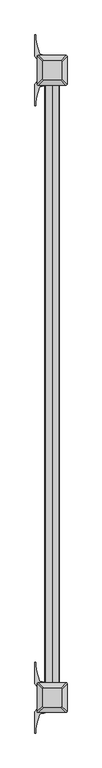
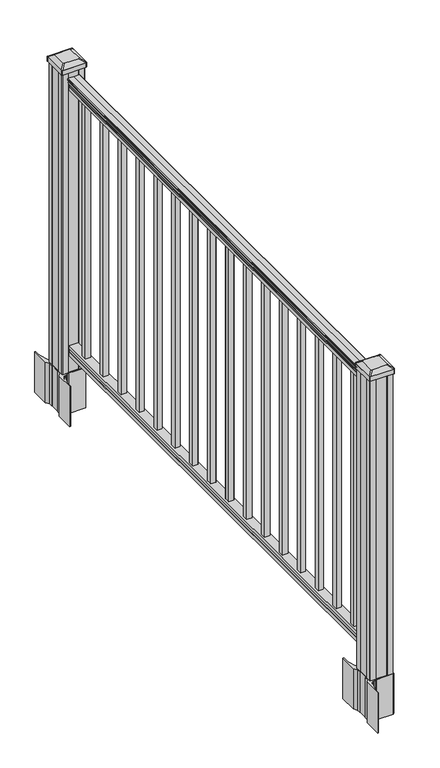
"""IFC4 building model written with IfcOpenShell, lengths in millimetres: railing geometry."""

from ifc_helpers import new_model, si_unit, point, frame, frame_2d, origin, origin_with_axes, place, context, project, spatial, polyline, circle_curve, trimmed, segment, composite_curve, outline, extrude, source, transform, mapped, element, save
from ifc_brep_helpers import plane_surface, extruded_surface, advanced_brep


def railing_7d00ed54(model_context):
    return source(origin(), model_context, "Body", "SolidModel", [
        extrude(outline(composite_curve([segment(polyline([(1090.8043297, 3638.0868644), (1092.692412, 3638.0868644)]), True, "CONTINUOUS"), segment(trimmed(circle_curve(frame_2d((1098.4506383, 3631.7721111)), 8.545951), [point((1092.692412, 3638.0868644))], [point((1094.2546695, 3639.2170507))], False, "CARTESIAN"), True, "CONTINUOUS"), segment(trimmed(circle_curve(frame_2d((1097.8636577, 3632.209174)), 7.882584), [point((1094.2546695, 3639.2170507))], [point((1101.4726458, 3639.2170507))], False, "CARTESIAN"), True, "CONTINUOUS"), segment(trimmed(circle_curve(frame_2d((1103.7112527, 3642.7224982)), 4.1592695), [point((1101.4726458, 3639.2170507))], [point((1103.9060812, 3638.5677942))], True, "CARTESIAN"), True, "CONTINUOUS"), segment(trimmed(circle_curve(frame_2d((1103.6508864, 3644.0098047)), 5.4479907), [point((1103.9060812, 3638.5677942))], [point((1108.2362083, 3641.0677942))], True, "CARTESIAN"), True, "CONTINUOUS"), segment(trimmed(circle_curve(frame_2d((1108.233395, 3642.7766463)), 1.7088543), [point((1108.2362083, 3641.0677942))], [point((1109.9157972, 3642.4771367))], True, "CARTESIAN"), True, "CONTINUOUS"), segment(trimmed(circle_curve(frame_2d((1111.0205318, 3641.1597462)), 1.7192895), [point((1109.9157972, 3642.4771367))], [point((1111.0205318, 3642.8790357))], False, "CARTESIAN"), True, "CONTINUOUS"), segment(polyline([(1111.0205318, 3642.8790357), (1112.3608158, 3642.8790356)]), True, "CONTINUOUS"), segment(trimmed(circle_curve(frame_2d((1112.3608158, 3641.3255884)), 1.5534472), [point((1112.3608158, 3642.8790356))], [point((1113.914263, 3641.3255884))], False, "CARTESIAN"), True, "CONTINUOUS"), segment(polyline([(1113.914263, 3641.3255884), (1113.914263, 3620.6540356), (1113.914263, 3599.9824828)]), True, "CONTINUOUS"), segment(trimmed(circle_curve(frame_2d((1112.3608158, 3599.9824828)), 1.5534472), [point((1113.914263, 3599.9824828))], [point((1112.3608158, 3598.4290356))], False, "CARTESIAN"), True, "CONTINUOUS"), segment(polyline([(1112.3608158, 3598.4290356), (1111.0205318, 3598.4290356)]), True, "CONTINUOUS"), segment(trimmed(circle_curve(frame_2d((1111.0205318, 3600.148325)), 1.7192895), [point((1111.0205318, 3598.4290356))], [point((1109.9157972, 3598.8309345))], False, "CARTESIAN"), True, "CONTINUOUS"), segment(trimmed(circle_curve(frame_2d((1108.233395, 3598.531425)), 1.7088543), [point((1109.9157972, 3598.8309345))], [point((1108.2362083, 3600.240277))], True, "CARTESIAN"), True, "CONTINUOUS"), segment(trimmed(circle_curve(frame_2d((1103.6508864, 3597.2982665)), 5.4479907), [point((1108.2362083, 3600.240277))], [point((1103.9060812, 3602.740277))], True, "CARTESIAN"), True, "CONTINUOUS"), segment(trimmed(circle_curve(frame_2d((1103.7112527, 3598.5855731)), 4.1592695), [point((1103.9060812, 3602.740277))], [point((1101.4726458, 3602.0910206))], True, "CARTESIAN"), True, "CONTINUOUS"), segment(trimmed(circle_curve(frame_2d((1097.8636577, 3609.0988972)), 7.882584), [point((1101.4726458, 3602.0910206))], [point((1094.2546695, 3602.0910206))], False, "CARTESIAN"), True, "CONTINUOUS"), segment(trimmed(circle_curve(frame_2d((1098.4506383, 3609.5359602)), 8.545951), [point((1094.2546695, 3602.0910206))], [point((1092.692412, 3603.2212069))], False, "CARTESIAN"), True, "CONTINUOUS"), segment(polyline([(1092.692412, 3603.2212069), (1090.8043297, 3603.2212069)]), True, "CONTINUOUS"), segment(trimmed(circle_curve(frame_2d((1090.8043297, 3604.5081212)), 1.2869144), [point((1090.8043297, 3603.2212069))], [point((1090.8043297, 3605.7950356))], False, "CARTESIAN"), True, "CONTINUOUS"), segment(polyline([(1090.8043297, 3605.7950356), (1080.3048283, 3605.7950356), (1079.2888283, 3604.7790356), (1066.8, 3604.7790356), (1066.8, 3636.5290356), (1079.131013, 3636.5290356), (1080.147013, 3635.5130356), (1090.8043297, 3635.5130356)]), True, "CONTINUOUS"), segment(trimmed(circle_curve(frame_2d((1090.8043297, 3636.79995)), 1.2869144), [point((1090.8043297, 3635.5130356))], [point((1090.8043297, 3638.0868644))], False, "CARTESIAN"), True, "CONTINUOUS")], self_intersect=False)), frame((0.0, -6529.3137002, 0.0), z_axis=(0.0, 1.0, 0.0), x_axis=(0.0, 0.0, 1.0)), (0.0, 0.0, 1.0), 1828.8),
        extrude(outline(polyline([(76.0541976, 3636.5665225), (77.3546183, 3635.5505225), (87.7141717, 3635.5505225), (89.0624492, 3636.5665225), (101.5958781, 3636.5665225), (101.5958781, 3604.8165225), (89.0458024, 3604.8165225), (87.6975248, 3605.8325225), (77.3858283, 3605.8325225), (76.0375508, 3604.8165225), (63.5, 3604.8165225), (63.5, 3636.5665225), (76.0541976, 3636.5665225)])), frame((0.0, -6529.3137002, 0.0), z_axis=(0.0, 1.0, 0.0), x_axis=(0.0, 0.0, 1.0)), (0.0, 0.0, 1.0), 1828.8),
        extrude(outline(polyline([(3630.1790356, -4789.0327002), (3611.1290356, -4789.0327002), (3611.1290356, -4769.9827002), (3630.1790356, -4769.9827002), (3630.1790356, -4789.0327002)]), holes=[polyline([(3629.7821606, -4788.6358252), (3629.7821606, -4770.3795752), (3611.5259106, -4770.3795752), (3611.5259106, -4788.6358252), (3629.7821606, -4788.6358252)])]), frame((0.0, 0.0, 101.5958781), z_axis=(0.0, 0.0, 1.0), x_axis=(1.0, 0.0, 0.0)), (0.0, 0.0, 1.0), 965.2041219),
        extrude(outline(polyline([(3630.1790356, -4900.2847002), (3611.1290356, -4900.2847002), (3611.1290356, -4881.2347002), (3630.1790356, -4881.2347002), (3630.1790356, -4900.2847002)]), holes=[polyline([(3629.7821606, -4899.8878252), (3629.7821606, -4881.6315752), (3611.5259106, -4881.6315752), (3611.5259106, -4899.8878252), (3629.7821606, -4899.8878252)])]), frame((0.0, 0.0, 101.5958781), z_axis=(0.0, 0.0, 1.0), x_axis=(1.0, 0.0, 0.0)), (0.0, 0.0, 1.0), 965.2041219),
        extrude(outline(polyline([(3630.1790356, -5011.5367002), (3611.1290356, -5011.5367002), (3611.1290356, -4992.4867002), (3630.1790356, -4992.4867002), (3630.1790356, -5011.5367002)]), holes=[polyline([(3629.7821606, -5011.1398252), (3629.7821606, -4992.8835752), (3611.5259106, -4992.8835752), (3611.5259106, -5011.1398252), (3629.7821606, -5011.1398252)])]), frame((0.0, 0.0, 101.5958781), z_axis=(0.0, 0.0, 1.0), x_axis=(1.0, 0.0, 0.0)), (0.0, 0.0, 1.0), 965.2041219),
        extrude(outline(polyline([(3630.1790356, -5122.7887002), (3611.1290356, -5122.7887002), (3611.1290356, -5103.7387002), (3630.1790356, -5103.7387002), (3630.1790356, -5122.7887002)]), holes=[polyline([(3629.7821606, -5122.3918252), (3629.7821606, -5104.1355752), (3611.5259106, -5104.1355752), (3611.5259106, -5122.3918252), (3629.7821606, -5122.3918252)])]), frame((0.0, 0.0, 101.5958781), z_axis=(0.0, 0.0, 1.0), x_axis=(1.0, 0.0, 0.0)), (0.0, 0.0, 1.0), 965.2041219),
        extrude(outline(polyline([(3630.1790356, -5234.0407002), (3611.1290356, -5234.0407002), (3611.1290356, -5214.9907002), (3630.1790356, -5214.9907002), (3630.1790356, -5234.0407002)]), holes=[polyline([(3629.7821606, -5233.6438252), (3629.7821606, -5215.3875752), (3611.5259106, -5215.3875752), (3611.5259106, -5233.6438252), (3629.7821606, -5233.6438252)])]), frame((0.0, 0.0, 101.5958781), z_axis=(0.0, 0.0, 1.0), x_axis=(1.0, 0.0, 0.0)), (0.0, 0.0, 1.0), 965.2041219),
        extrude(outline(polyline([(3630.1790356, -5345.2927002), (3611.1290356, -5345.2927002), (3611.1290356, -5326.2427002), (3630.1790356, -5326.2427002), (3630.1790356, -5345.2927002)]), holes=[polyline([(3629.7821606, -5344.8958252), (3629.7821606, -5326.6395752), (3611.5259106, -5326.6395752), (3611.5259106, -5344.8958252), (3629.7821606, -5344.8958252)])]), frame((0.0, 0.0, 101.5958781), z_axis=(0.0, 0.0, 1.0), x_axis=(1.0, 0.0, 0.0)), (0.0, 0.0, 1.0), 965.2041219),
        extrude(outline(polyline([(3630.1790356, -5456.5447002), (3611.1290356, -5456.5447002), (3611.1290356, -5437.4947002), (3630.1790356, -5437.4947002), (3630.1790356, -5456.5447002)]), holes=[polyline([(3629.7821606, -5456.1478252), (3629.7821606, -5437.8915752), (3611.5259106, -5437.8915752), (3611.5259106, -5456.1478252), (3629.7821606, -5456.1478252)])]), frame((0.0, 0.0, 101.5958781), z_axis=(0.0, 0.0, 1.0), x_axis=(1.0, 0.0, 0.0)), (0.0, 0.0, 1.0), 965.2041219),
        extrude(outline(polyline([(3630.1790356, -5567.7967002), (3611.1290356, -5567.7967002), (3611.1290356, -5548.7467002), (3630.1790356, -5548.7467002), (3630.1790356, -5567.7967002)]), holes=[polyline([(3629.7821606, -5567.3998252), (3629.7821606, -5549.1435752), (3611.5259106, -5549.1435752), (3611.5259106, -5567.3998252), (3629.7821606, -5567.3998252)])]), frame((0.0, 0.0, 101.5958781), z_axis=(0.0, 0.0, 1.0), x_axis=(1.0, 0.0, 0.0)), (0.0, 0.0, 1.0), 965.2041219),
        extrude(outline(polyline([(3630.1790356, -5679.0487002), (3611.1290356, -5679.0487002), (3611.1290356, -5659.9987002), (3630.1790356, -5659.9987002), (3630.1790356, -5679.0487002)]), holes=[polyline([(3629.7821606, -5678.6518252), (3629.7821606, -5660.3955752), (3611.5259106, -5660.3955752), (3611.5259106, -5678.6518252), (3629.7821606, -5678.6518252)])]), frame((0.0, 0.0, 101.5958781), z_axis=(0.0, 0.0, 1.0), x_axis=(1.0, 0.0, 0.0)), (0.0, 0.0, 1.0), 965.2041219),
        extrude(outline(polyline([(3630.1790356, -5790.3007002), (3611.1290356, -5790.3007002), (3611.1290356, -5771.2507002), (3630.1790356, -5771.2507002), (3630.1790356, -5790.3007002)]), holes=[polyline([(3629.7821606, -5789.9038252), (3629.7821606, -5771.6475752), (3611.5259106, -5771.6475752), (3611.5259106, -5789.9038252), (3629.7821606, -5789.9038252)])]), frame((0.0, 0.0, 101.5958781), z_axis=(0.0, 0.0, 1.0), x_axis=(1.0, 0.0, 0.0)), (0.0, 0.0, 1.0), 965.2041219),
        extrude(outline(polyline([(3630.1790356, -5901.5527002), (3611.1290356, -5901.5527002), (3611.1290356, -5882.5027002), (3630.1790356, -5882.5027002), (3630.1790356, -5901.5527002)]), holes=[polyline([(3629.7821606, -5901.1558252), (3629.7821606, -5882.8995752), (3611.5259106, -5882.8995752), (3611.5259106, -5901.1558252), (3629.7821606, -5901.1558252)])]), frame((0.0, 0.0, 101.5958781), z_axis=(0.0, 0.0, 1.0), x_axis=(1.0, 0.0, 0.0)), (0.0, 0.0, 1.0), 965.2041219),
        extrude(outline(polyline([(3630.1790356, -6012.8047002), (3611.1290356, -6012.8047002), (3611.1290356, -5993.7547002), (3630.1790356, -5993.7547002), (3630.1790356, -6012.8047002)]), holes=[polyline([(3629.7821606, -6012.4078252), (3629.7821606, -5994.1515752), (3611.5259106, -5994.1515752), (3611.5259106, -6012.4078252), (3629.7821606, -6012.4078252)])]), frame((0.0, 0.0, 101.5958781), z_axis=(0.0, 0.0, 1.0), x_axis=(1.0, 0.0, 0.0)), (0.0, 0.0, 1.0), 965.2041219),
        extrude(outline(polyline([(3630.1790356, -6124.0567002), (3611.1290356, -6124.0567002), (3611.1290356, -6105.0067002), (3630.1790356, -6105.0067002), (3630.1790356, -6124.0567002)]), holes=[polyline([(3629.7821606, -6123.6598252), (3629.7821606, -6105.4035752), (3611.5259106, -6105.4035752), (3611.5259106, -6123.6598252), (3629.7821606, -6123.6598252)])]), frame((0.0, 0.0, 101.5958781), z_axis=(0.0, 0.0, 1.0), x_axis=(1.0, 0.0, 0.0)), (0.0, 0.0, 1.0), 965.2041219),
        extrude(outline(polyline([(3630.1790356, -6235.3087002), (3611.1290356, -6235.3087002), (3611.1290356, -6216.2587002), (3630.1790356, -6216.2587002), (3630.1790356, -6235.3087002)]), holes=[polyline([(3629.7821606, -6234.9118252), (3629.7821606, -6216.6555752), (3611.5259106, -6216.6555752), (3611.5259106, -6234.9118252), (3629.7821606, -6234.9118252)])]), frame((0.0, 0.0, 101.5958781), z_axis=(0.0, 0.0, 1.0), x_axis=(1.0, 0.0, 0.0)), (0.0, 0.0, 1.0), 965.2041219),
        extrude(outline(polyline([(3630.1790356, -6346.5607002), (3611.1290356, -6346.5607002), (3611.1290356, -6327.5107002), (3630.1790356, -6327.5107002), (3630.1790356, -6346.5607002)]), holes=[polyline([(3629.7821606, -6346.1638252), (3629.7821606, -6327.9075752), (3611.5259106, -6327.9075752), (3611.5259106, -6346.1638252), (3629.7821606, -6346.1638252)])]), frame((0.0, 0.0, 101.5958781), z_axis=(0.0, 0.0, 1.0), x_axis=(1.0, 0.0, 0.0)), (0.0, 0.0, 1.0), 965.2041219),
        extrude(outline(polyline([(3630.1790356, -6457.8127002), (3611.1290356, -6457.8127002), (3611.1290356, -6438.7627002), (3630.1790356, -6438.7627002), (3630.1790356, -6457.8127002)]), holes=[polyline([(3629.7821606, -6457.4158252), (3629.7821606, -6439.1595752), (3611.5259106, -6439.1595752), (3611.5259106, -6457.4158252), (3629.7821606, -6457.4158252)])]), frame((0.0, 0.0, 101.5958781), z_axis=(0.0, 0.0, 1.0), x_axis=(1.0, 0.0, 0.0)), (0.0, 0.0, 1.0), 965.2041219),
        extrude(outline(composite_curve([segment(polyline([(3663.3895356, -4676.4977951), (3664.9770356, -4677.2597951), (3664.9770356, -4700.0617232), (3661.6040586, -4703.4347002), (3600.1443877, -4703.4347002), (3600.1443877, -4704.3554502), (3594.8268439, -4704.3554502), (3594.8268439, -4705.8097049), (3589.7423142, -4705.8097049), (3589.7423142, -4707.0937288), (3588.0750419, -4707.0937288)]), True, "CONTINUOUS"), segment(trimmed(circle_curve(frame_2d((3588.0750419, -4714.1531886)), 7.0594599), [point((3588.0750419, -4707.0937288))], [point((3581.307779, -4712.1431819))], True, "CARTESIAN"), True, "CONTINUOUS"), segment(polyline([(3581.307779, -4712.1431819), (3573.4335848, -4738.653911)]), True, "CONTINUOUS"), segment(trimmed(circle_curve(frame_2d((3628.2180981, -4754.9259607)), 57.15), [point((3573.4335848, -4738.653911))], [point((3571.0680981, -4754.9259607))], True, "CARTESIAN"), True, "CONTINUOUS"), segment(polyline([(3571.0680981, -4754.9259607), (3571.0680981, -4766.9347002), (3568.0680981, -4766.9347002), (3568.0680981, -4701.8472002), (3576.3310356, -4690.5089089), (3576.3310356, -4677.2597951), (3577.9185356, -4676.4977951), (3577.9185356, -4641.7256054), (3576.3310356, -4640.9636054), (3576.3310356, -4627.7144916), (3568.0680981, -4616.3762002), (3568.0680981, -4551.2887002), (3571.0680981, -4551.2887002), (3571.0680981, -4563.2974398)]), True, "CONTINUOUS"), segment(trimmed(circle_curve(frame_2d((3628.2180981, -4563.2974398)), 57.15), [point((3571.0680981, -4563.2974398))], [point((3573.4335848, -4579.5694894))], True, "CARTESIAN"), True, "CONTINUOUS"), segment(polyline([(3573.4335848, -4579.5694894), (3581.307779, -4606.0802185)]), True, "CONTINUOUS"), segment(trimmed(circle_curve(frame_2d((3588.0750419, -4604.0702119)), 7.0594599), [point((3581.307779, -4606.0802185))], [point((3588.0750419, -4611.1296717))], True, "CARTESIAN"), True, "CONTINUOUS"), segment(polyline([(3588.0750419, -4611.1296717), (3589.7423142, -4611.1296717), (3589.7423142, -4612.4136955), (3594.8268439, -4612.4136955), (3594.8268439, -4613.8679502), (3600.1443877, -4613.8679502), (3600.1443877, -4614.7887002), (3661.6040586, -4614.7887002), (3664.9770356, -4618.1616773), (3664.9770356, -4640.9636054), (3663.3895356, -4641.7256054), (3663.3895356, -4676.4977951)]), True, "CONTINUOUS")], self_intersect=False), holes=[polyline([(3579.3790356, -4619.4242002), (3579.3790356, -4698.7992002), (3580.9665356, -4700.3867002), (3617.8908182, -4700.3867002), (3660.3415356, -4700.3867002), (3661.9290356, -4698.7992002), (3661.9290356, -4619.4242002), (3660.3415356, -4617.8367002), (3617.8908182, -4617.8367002), (3580.9665356, -4617.8367002), (3579.3790356, -4619.4242002)])]), frame((0.0, 0.0, -152.4), z_axis=(0.0, 0.0, 1.0), x_axis=(1.0, 0.0, 0.0)), (0.0, 0.0, 1.0), 152.4),
        advanced_brep(
        [(3594.8571606, -4688.0835752, 1165.225), (3646.4509106, -4688.0835752, 1165.225), (3649.6259106, -4684.9085752, 1165.225), (3649.6259106, -4633.3148252, 1165.225), (3646.4509106, -4630.1398252, 1165.225), (3594.8571606, -4630.1398252, 1165.225), (3591.6821606, -4633.3148252, 1165.225), (3591.6821606, -4684.9085752, 1165.225), (3578.5852856, -4704.3554502, 1153.922), (3575.4102856, -4701.1804502, 1153.922), (3575.4102856, -4617.0429502, 1153.922), (3578.5852856, -4613.8679502, 1153.922), (3662.7227856, -4613.8679502, 1153.922), (3665.8977856, -4617.0429502, 1153.922), (3665.8977856, -4701.1804502, 1153.922), (3662.7227856, -4704.3554502, 1153.922)],
        [
            (0, 1),
            (1, 2, circle_curve(frame((3646.4509106, -4684.9085752, 1165.225), z_axis=(0.0, 0.0, 1.0), x_axis=(0.0, 1.0, 0.0)), 3.175)),
            (2, 3),
            (3, 4, circle_curve(frame((3646.4509106, -4633.3148252, 1165.225), z_axis=(0.0, 0.0, 1.0), x_axis=(0.0, 1.0, 0.0)), 3.175)),
            (4, 5),
            (5, 6, circle_curve(frame((3594.8571606, -4633.3148252, 1165.225), z_axis=(0.0, 0.0, 1.0), x_axis=(0.0, 1.0, 0.0)), 3.175)),
            (6, 7),
            (7, 0, circle_curve(frame((3594.8571606, -4684.9085752, 1165.225), z_axis=(0.0, 0.0, 1.0), x_axis=(0.0, 1.0, 0.0)), 3.175)),
            (8, 9, circle_curve(frame((3578.5852856, -4701.1804502, 1153.922), z_axis=(0.0, 0.0, -1.0), x_axis=(0.0, 1.0, 0.0)), 3.175)),
            (9, 10),
            (10, 11, circle_curve(frame((3578.5852856, -4617.0429502, 1153.922), z_axis=(0.0, 0.0, -1.0), x_axis=(0.0, 1.0, 0.0)), 3.175)),
            (11, 12),
            (12, 13, circle_curve(frame((3662.7227856, -4617.0429502, 1153.922), z_axis=(0.0, 0.0, -1.0), x_axis=(0.0, 1.0, 0.0)), 3.175)),
            (13, 14),
            (14, 15, circle_curve(frame((3662.7227856, -4701.1804502, 1153.922), z_axis=(0.0, 0.0, -1.0), x_axis=(0.0, 1.0, 0.0)), 3.175)),
            (15, 8),
            (8, 0),
            (7, 9),
            (6, 10),
            (5, 11),
            (4, 12),
            (3, 13),
            (2, 14),
            (1, 15),
        ],
        [
            plane_surface(frame((3620.6540356, -4659.1117002, 1165.225), z_axis=(0.0, 0.0, 1.0), x_axis=(-1.0, 0.0, 0.0))),
            plane_surface(frame((3620.6540356, -4659.1117002, 1153.922), z_axis=(0.0, 0.0, -1.0), x_axis=(-1.0, 0.0, 0.0))),
            extruded_surface(trimmed(circle_curve(frame((3594.8571606, -4684.9085752, 1165.225), z_axis=(0.0, 0.0, -1.0), x_axis=(0.0, 1.0, 0.0)), 3.175), [point((3594.8571606, -4688.0835752, 1165.225))], [point((3591.6821606, -4684.9085752, 1165.225))], True, "CARTESIAN"), (-16.27187499999991, -16.271875000000364, -11.302999999999884), 25.637972638866284),
            plane_surface(frame((3575.4102856, -4659.1117002, 1153.922), z_axis=(-0.5705009161540777, 0.0, 0.8212969649690409), x_axis=(0.0, 1.0, 0.0))),
            extruded_surface(trimmed(circle_curve(frame((3594.8571606, -4633.3148252, 1165.225), z_axis=(0.0, 0.0, -1.0), x_axis=(0.0, 1.0, 0.0)), 3.175), [point((3591.6821606, -4633.3148252, 1165.225))], [point((3594.8571606, -4630.1398252, 1165.225))], True, "CARTESIAN"), (-16.27187499999991, 16.271875000000364, -11.302999999999884), 25.637972638866284),
            plane_surface(frame((3620.6540356, -4613.8679502, 1153.922), z_axis=(0.0, 0.5705009161540291, 0.8212969649690747), x_axis=(1.0, 0.0, 0.0))),
            extruded_surface(trimmed(circle_curve(frame((3646.4509106, -4633.3148252, 1165.225), z_axis=(0.0, 0.0, -1.0), x_axis=(0.0, 1.0, 0.0)), 3.175), [point((3646.4509106, -4630.1398252, 1165.225))], [point((3649.6259106, -4633.3148252, 1165.225))], True, "CARTESIAN"), (16.27187499999991, 16.271875000000364, -11.302999999999884), 25.637972638866284),
            plane_surface(frame((3665.8977856, -4659.1117002, 1153.922), z_axis=(0.5705009161540143, 0.0, 0.821296964969085), x_axis=(0.0, -1.0, 0.0))),
            extruded_surface(trimmed(circle_curve(frame((3646.4509106, -4684.9085752, 1165.225), z_axis=(0.0, 0.0, -1.0), x_axis=(0.0, 1.0, 0.0)), 3.175), [point((3649.6259106, -4684.9085752, 1165.225))], [point((3646.4509106, -4688.0835752, 1165.225))], True, "CARTESIAN"), (16.27187499999991, -16.271875000000364, -11.302999999999884), 25.637972638866284),
            plane_surface(frame((3620.6540356, -4704.3554502, 1153.922), z_axis=(0.0, -0.570500916154034, 0.8212969649690713), x_axis=(-1.0, 0.0, 0.0))),
        ],
        [
            (0, [[1, 2, 3, 4, 5, 6, 7, 8]]),
            (1, [[9, 10, 11, 12, 13, 14, 15, 16]]),
            (2, [[17, -8, 18, -9]]),
            (3, [[-18, -7, 19, -10]]),
            (4, [[-19, -6, 20, -11]]),
            (5, [[-20, -5, 21, -12]]),
            (6, [[-21, -4, 22, -13]]),
            (7, [[-22, -3, 23, -14]]),
            (8, [[-23, -2, 24, -15]]),
            (9, [[-24, -1, -17, -16]]),
        ],
    ),
        extrude(outline(composite_curve([segment(trimmed(circle_curve(frame_2d((3578.5852856, -4701.1804502)), 3.175), [point((3578.5852856, -4704.3554502))], [point((3575.4102856, -4701.1804502))], False, "CARTESIAN"), True, "CONTINUOUS"), segment(polyline([(3575.4102856, -4701.1804502), (3575.4102856, -4617.0429502)]), True, "CONTINUOUS"), segment(trimmed(circle_curve(frame_2d((3578.5852856, -4617.0429502)), 3.175), [point((3575.4102856, -4617.0429502))], [point((3578.5852856, -4613.8679502))], False, "CARTESIAN"), True, "CONTINUOUS"), segment(polyline([(3578.5852856, -4613.8679502), (3662.7227856, -4613.8679502)]), True, "CONTINUOUS"), segment(trimmed(circle_curve(frame_2d((3662.7227856, -4617.0429502)), 3.175), [point((3662.7227856, -4613.8679502))], [point((3665.8977856, -4617.0429502))], False, "CARTESIAN"), True, "CONTINUOUS"), segment(polyline([(3665.8977856, -4617.0429502), (3665.8977856, -4701.1804502)]), True, "CONTINUOUS"), segment(trimmed(circle_curve(frame_2d((3662.7227856, -4701.1804502)), 3.175), [point((3665.8977856, -4701.1804502))], [point((3662.7227856, -4704.3554502))], False, "CARTESIAN"), True, "CONTINUOUS"), segment(polyline([(3662.7227856, -4704.3554502), (3578.5852856, -4704.3554502)]), True, "CONTINUOUS")], self_intersect=False)), frame((0.0, 0.0, 1136.65), z_axis=(0.0, 0.0, 1.0), x_axis=(1.0, 0.0, 0.0)), (0.0, 0.0, 1.0), 17.272),
        extrude(outline(polyline([(3580.9665356, -4700.3867002), (3579.3790356, -4698.7992002), (3579.3790356, -4679.1777002), (3580.9665356, -4678.4157002), (3580.9665356, -4639.8077002), (3579.3790356, -4639.0457002), (3579.3790356, -4619.4242002), (3580.9665356, -4617.8367002), (3600.5880356, -4617.8367002), (3601.3500356, -4619.4242002), (3639.9580356, -4619.4242002), (3640.7200356, -4617.8367002), (3660.3415356, -4617.8367002), (3661.9290356, -4619.4242002), (3661.9290356, -4639.0457002), (3660.3415356, -4639.8077002), (3660.3415356, -4678.4157002), (3661.9290356, -4679.1777002), (3661.9290356, -4698.7992002), (3660.3415356, -4700.3867002), (3640.7200356, -4700.3867002), (3639.9580356, -4698.7992002), (3601.3500356, -4698.7992002), (3600.5880356, -4700.3867002), (3580.9665356, -4700.3867002)])), origin_with_axes(), (0.0, 0.0, 1.0), 1136.65),
        extrude(outline(composite_curve([segment(polyline([(3663.3895356, -6588.1017951), (3664.9770356, -6588.8637951), (3664.9770356, -6611.6657232), (3661.6040586, -6615.0387002), (3600.1443877, -6615.0387002), (3600.1443877, -6615.9594502), (3594.8268439, -6615.9594502), (3594.8268439, -6617.4137049), (3589.7423142, -6617.4137049), (3589.7423142, -6618.6977288), (3588.0750419, -6618.6977288)]), True, "CONTINUOUS"), segment(trimmed(circle_curve(frame_2d((3588.0750419, -6625.7571886)), 7.0594599), [point((3588.0750419, -6618.6977288))], [point((3581.307779, -6623.7471819))], True, "CARTESIAN"), True, "CONTINUOUS"), segment(polyline([(3581.307779, -6623.7471819), (3573.4335848, -6650.257911)]), True, "CONTINUOUS"), segment(trimmed(circle_curve(frame_2d((3628.2180981, -6666.5299607)), 57.15), [point((3573.4335848, -6650.257911))], [point((3571.0680981, -6666.5299607))], True, "CARTESIAN"), True, "CONTINUOUS"), segment(polyline([(3571.0680981, -6666.5299607), (3571.0680981, -6678.5387002), (3568.0680981, -6678.5387002), (3568.0680981, -6613.4512002), (3576.3310356, -6602.1129089), (3576.3310356, -6588.8637951), (3577.9185356, -6588.1017951), (3577.9185356, -6553.3296054), (3576.3310356, -6552.5676054), (3576.3310356, -6539.3184916), (3568.0680981, -6527.9802002), (3568.0680981, -6462.8927002), (3571.0680981, -6462.8927002), (3571.0680981, -6474.9014398)]), True, "CONTINUOUS"), segment(trimmed(circle_curve(frame_2d((3628.2180981, -6474.9014398)), 57.15), [point((3571.0680981, -6474.9014398))], [point((3573.4335848, -6491.1734894))], True, "CARTESIAN"), True, "CONTINUOUS"), segment(polyline([(3573.4335848, -6491.1734894), (3581.307779, -6517.6842185)]), True, "CONTINUOUS"), segment(trimmed(circle_curve(frame_2d((3588.0750419, -6515.6742119)), 7.0594599), [point((3581.307779, -6517.6842185))], [point((3588.0750419, -6522.7336717))], True, "CARTESIAN"), True, "CONTINUOUS"), segment(polyline([(3588.0750419, -6522.7336717), (3589.7423142, -6522.7336717), (3589.7423142, -6524.0176955), (3594.8268439, -6524.0176955), (3594.8268439, -6525.4719502), (3600.1443877, -6525.4719502), (3600.1443877, -6526.3927002), (3661.6040586, -6526.3927002), (3664.9770356, -6529.7656773), (3664.9770356, -6552.5676054), (3663.3895356, -6553.3296054), (3663.3895356, -6588.1017951)]), True, "CONTINUOUS")], self_intersect=False), holes=[polyline([(3579.3790356, -6531.0282002), (3579.3790356, -6610.4032002), (3580.9665356, -6611.9907002), (3617.8908182, -6611.9907002), (3660.3415356, -6611.9907002), (3661.9290356, -6610.4032002), (3661.9290356, -6531.0282002), (3660.3415356, -6529.4407002), (3617.8908182, -6529.4407002), (3580.9665356, -6529.4407002), (3579.3790356, -6531.0282002)])]), frame((0.0, 0.0, -152.4), z_axis=(0.0, 0.0, 1.0), x_axis=(1.0, 0.0, 0.0)), (0.0, 0.0, 1.0), 152.4),
        advanced_brep(
        [(3594.8571606, -6599.6875752, 1165.225), (3646.4509106, -6599.6875752, 1165.225), (3649.6259106, -6596.5125752, 1165.225), (3649.6259106, -6544.9188252, 1165.225), (3646.4509106, -6541.7438252, 1165.225), (3594.8571606, -6541.7438252, 1165.225), (3591.6821606, -6544.9188252, 1165.225), (3591.6821606, -6596.5125752, 1165.225), (3578.5852856, -6615.9594502, 1153.922), (3575.4102856, -6612.7844502, 1153.922), (3575.4102856, -6528.6469502, 1153.922), (3578.5852856, -6525.4719502, 1153.922), (3662.7227856, -6525.4719502, 1153.922), (3665.8977856, -6528.6469502, 1153.922), (3665.8977856, -6612.7844502, 1153.922), (3662.7227856, -6615.9594502, 1153.922)],
        [
            (0, 1),
            (1, 2, circle_curve(frame((3646.4509106, -6596.5125752, 1165.225), z_axis=(0.0, 0.0, 1.0), x_axis=(0.0, 1.0, 0.0)), 3.175)),
            (2, 3),
            (3, 4, circle_curve(frame((3646.4509106, -6544.9188252, 1165.225), z_axis=(0.0, 0.0, 1.0), x_axis=(0.0, 1.0, 0.0)), 3.175)),
            (4, 5),
            (5, 6, circle_curve(frame((3594.8571606, -6544.9188252, 1165.225), z_axis=(0.0, 0.0, 1.0), x_axis=(0.0, 1.0, 0.0)), 3.175)),
            (6, 7),
            (7, 0, circle_curve(frame((3594.8571606, -6596.5125752, 1165.225), z_axis=(0.0, 0.0, 1.0), x_axis=(0.0, 1.0, 0.0)), 3.175)),
            (8, 9, circle_curve(frame((3578.5852856, -6612.7844502, 1153.922), z_axis=(0.0, 0.0, -1.0), x_axis=(0.0, 1.0, 0.0)), 3.175)),
            (9, 10),
            (10, 11, circle_curve(frame((3578.5852856, -6528.6469502, 1153.922), z_axis=(0.0, 0.0, -1.0), x_axis=(0.0, 1.0, 0.0)), 3.175)),
            (11, 12),
            (12, 13, circle_curve(frame((3662.7227856, -6528.6469502, 1153.922), z_axis=(0.0, 0.0, -1.0), x_axis=(0.0, 1.0, 0.0)), 3.175)),
            (13, 14),
            (14, 15, circle_curve(frame((3662.7227856, -6612.7844502, 1153.922), z_axis=(0.0, 0.0, -1.0), x_axis=(0.0, 1.0, 0.0)), 3.175)),
            (15, 8),
            (8, 0),
            (7, 9),
            (6, 10),
            (5, 11),
            (4, 12),
            (3, 13),
            (2, 14),
            (1, 15),
        ],
        [
            plane_surface(frame((3620.6540356, -6570.7157002, 1165.225), z_axis=(0.0, 0.0, 1.0), x_axis=(-1.0, 0.0, 0.0))),
            plane_surface(frame((3620.6540356, -6570.7157002, 1153.922), z_axis=(0.0, 0.0, -1.0), x_axis=(-1.0, 0.0, 0.0))),
            extruded_surface(trimmed(circle_curve(frame((3594.8571606, -6596.5125752, 1165.225), z_axis=(0.0, 0.0, -1.0), x_axis=(0.0, 1.0, 0.0)), 3.175), [point((3594.8571606, -6599.6875752, 1165.225))], [point((3591.6821606, -6596.5125752, 1165.225))], True, "CARTESIAN"), (-16.27187499999991, -16.271874999999454, -11.302999999999884), 25.63797263886571),
            plane_surface(frame((3575.4102856, -6570.7157002, 1153.922), z_axis=(-0.5705009161540777, 0.0, 0.8212969649690409), x_axis=(0.0, 1.0, 0.0))),
            extruded_surface(trimmed(circle_curve(frame((3594.8571606, -6544.9188252, 1165.225), z_axis=(0.0, 0.0, -1.0), x_axis=(0.0, 1.0, 0.0)), 3.175), [point((3591.6821606, -6544.9188252, 1165.225))], [point((3594.8571606, -6541.7438252, 1165.225))], True, "CARTESIAN"), (-16.27187499999991, 16.271875000000364, -11.302999999999884), 25.637972638866284),
            plane_surface(frame((3620.6540356, -6525.4719502, 1153.922), z_axis=(0.0, 0.5705009161540291, 0.8212969649690747), x_axis=(1.0, 0.0, 0.0))),
            extruded_surface(trimmed(circle_curve(frame((3646.4509106, -6544.9188252, 1165.225), z_axis=(0.0, 0.0, -1.0), x_axis=(0.0, 1.0, 0.0)), 3.175), [point((3646.4509106, -6541.7438252, 1165.225))], [point((3649.6259106, -6544.9188252, 1165.225))], True, "CARTESIAN"), (16.27187499999991, 16.271875000000364, -11.302999999999884), 25.637972638866284),
            plane_surface(frame((3665.8977856, -6570.7157002, 1153.922), z_axis=(0.5705009161540143, 0.0, 0.821296964969085), x_axis=(0.0, -1.0, 0.0))),
            extruded_surface(trimmed(circle_curve(frame((3646.4509106, -6596.5125752, 1165.225), z_axis=(0.0, 0.0, -1.0), x_axis=(0.0, 1.0, 0.0)), 3.175), [point((3649.6259106, -6596.5125752, 1165.225))], [point((3646.4509106, -6599.6875752, 1165.225))], True, "CARTESIAN"), (16.27187499999991, -16.271874999999454, -11.302999999999884), 25.63797263886571),
            plane_surface(frame((3620.6540356, -6615.9594502, 1153.922), z_axis=(0.0, -0.570500916154034, 0.8212969649690713), x_axis=(-1.0, 0.0, 0.0))),
        ],
        [
            (0, [[1, 2, 3, 4, 5, 6, 7, 8]]),
            (1, [[9, 10, 11, 12, 13, 14, 15, 16]]),
            (2, [[17, -8, 18, -9]]),
            (3, [[-18, -7, 19, -10]]),
            (4, [[-19, -6, 20, -11]]),
            (5, [[-20, -5, 21, -12]]),
            (6, [[-21, -4, 22, -13]]),
            (7, [[-22, -3, 23, -14]]),
            (8, [[-23, -2, 24, -15]]),
            (9, [[-24, -1, -17, -16]]),
        ],
    ),
        extrude(outline(composite_curve([segment(trimmed(circle_curve(frame_2d((3578.5852856, -6612.7844502)), 3.175), [point((3578.5852856, -6615.9594502))], [point((3575.4102856, -6612.7844502))], False, "CARTESIAN"), True, "CONTINUOUS"), segment(polyline([(3575.4102856, -6612.7844502), (3575.4102856, -6528.6469502)]), True, "CONTINUOUS"), segment(trimmed(circle_curve(frame_2d((3578.5852856, -6528.6469502)), 3.175), [point((3575.4102856, -6528.6469502))], [point((3578.5852856, -6525.4719502))], False, "CARTESIAN"), True, "CONTINUOUS"), segment(polyline([(3578.5852856, -6525.4719502), (3662.7227856, -6525.4719502)]), True, "CONTINUOUS"), segment(trimmed(circle_curve(frame_2d((3662.7227856, -6528.6469502)), 3.175), [point((3662.7227856, -6525.4719502))], [point((3665.8977856, -6528.6469502))], False, "CARTESIAN"), True, "CONTINUOUS"), segment(polyline([(3665.8977856, -6528.6469502), (3665.8977856, -6612.7844502)]), True, "CONTINUOUS"), segment(trimmed(circle_curve(frame_2d((3662.7227856, -6612.7844502)), 3.175), [point((3665.8977856, -6612.7844502))], [point((3662.7227856, -6615.9594502))], False, "CARTESIAN"), True, "CONTINUOUS"), segment(polyline([(3662.7227856, -6615.9594502), (3578.5852856, -6615.9594502)]), True, "CONTINUOUS")], self_intersect=False)), frame((0.0, 0.0, 1136.65), z_axis=(0.0, 0.0, 1.0), x_axis=(1.0, 0.0, 0.0)), (0.0, 0.0, 1.0), 17.272),
        extrude(outline(polyline([(3580.9665356, -6611.9907002), (3579.3790356, -6610.4032002), (3579.3790356, -6590.7817002), (3580.9665356, -6590.0197002), (3580.9665356, -6551.4117002), (3579.3790356, -6550.6497002), (3579.3790356, -6531.0282002), (3580.9665356, -6529.4407002), (3600.5880356, -6529.4407002), (3601.3500356, -6531.0282002), (3639.9580356, -6531.0282002), (3640.7200356, -6529.4407002), (3660.3415356, -6529.4407002), (3661.9290356, -6531.0282002), (3661.9290356, -6550.6497002), (3660.3415356, -6551.4117002), (3660.3415356, -6590.0197002), (3661.9290356, -6590.7817002), (3661.9290356, -6610.4032002), (3660.3415356, -6611.9907002), (3640.7200356, -6611.9907002), (3639.9580356, -6610.4032002), (3601.3500356, -6610.4032002), (3600.5880356, -6611.9907002), (3580.9665356, -6611.9907002)])), origin_with_axes(), (0.0, 0.0, 1.0), 1136.65),
    ])


if __name__ == "__main__":
    model = new_model("IFC4")
    model_context = context("Model", 3, world=origin())
    ifc_project = project(units=[si_unit("LENGTHUNIT", "METRE", prefix="MILLI")], contexts=[model_context])
    site = spatial("IfcSite", under=ifc_project)
    building = spatial("IfcBuilding", under=site)
    placement = place(None, origin())
    railing_shape = railing_7d00ed54(model_context)
    element("IfcRailing", 1, at=placement, inside=building, context=model_context, shape_type="MappedRepresentation", body=[
        mapped(railing_shape, transform((0.0, 0.0, 0.0), x_axis=(1.0, 0.0, 0.0), y_axis=(0.0, 1.0, 0.0), z_axis=(0.0, 0.0, 1.0))),
    ])
    save(model, "model.ifc")
